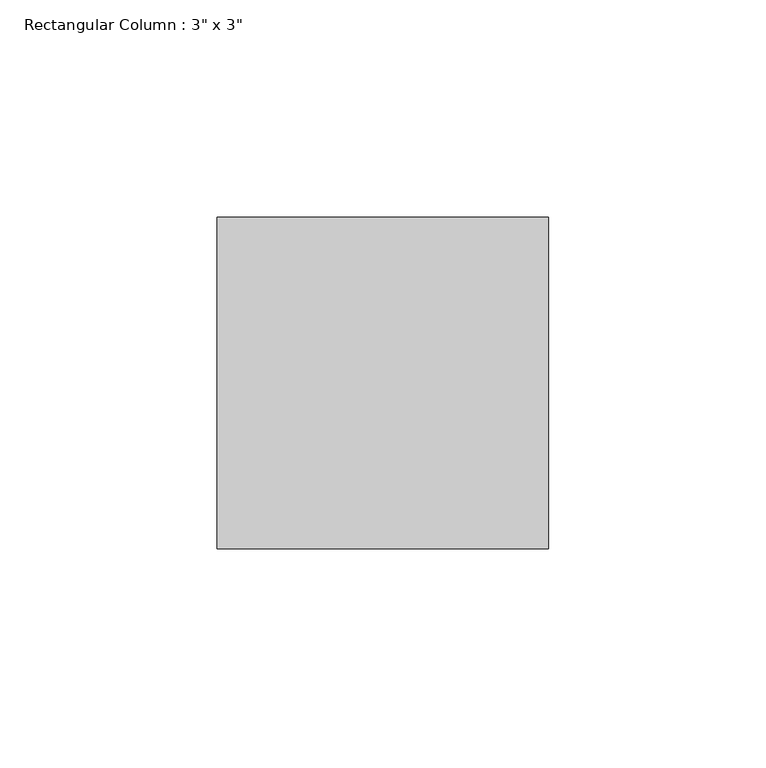
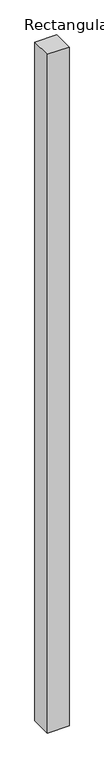
"""IFC4 building model written with IfcOpenShell, lengths in millimetres: column geometry."""

from ifc_helpers import new_model, si_unit, origin, origin_with_axes, place, context, project, spatial, polyline, outline, extrude, source, transform, mapped, element, save


def column_278c5f44(model_context):
    return source(origin(), model_context, "Body", "SweptSolid", [
        extrude(outline(polyline([(38.1, 38.1), (38.1, -38.1), (-38.1, -38.1), (-38.1, 38.1), (38.1, 38.1)])), origin_with_axes(), (0.0, 0.0, 1.0), 2527.3),
    ])


if __name__ == "__main__":
    model = new_model("IFC4")
    model_context = context("Model", 3, world=origin())
    ifc_project = project(units=[si_unit("LENGTHUNIT", "METRE", prefix="MILLI")], contexts=[model_context])
    site = spatial("IfcSite", under=ifc_project)
    building = spatial("IfcBuilding", under=site)
    placement = place(None, origin())
    column_shape = column_278c5f44(model_context)
    element("IfcColumn", 1, ObjectType="Rectangular Column : 3\" x 3\"", at=placement, inside=building, context=model_context, shape_type="MappedRepresentation", body=[
        mapped(column_shape, transform((0.0, 0.0, 0.0), x_axis=(1.0, 0.0, 0.0), y_axis=(0.0, 1.0, 0.0), z_axis=(0.0, 0.0, 1.0))),
    ])
    save(model, "model.ifc")
